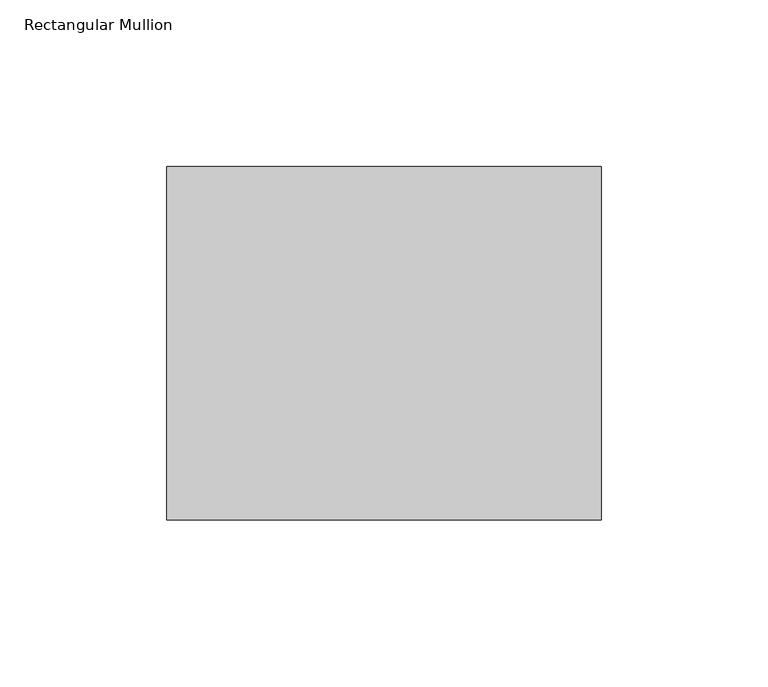
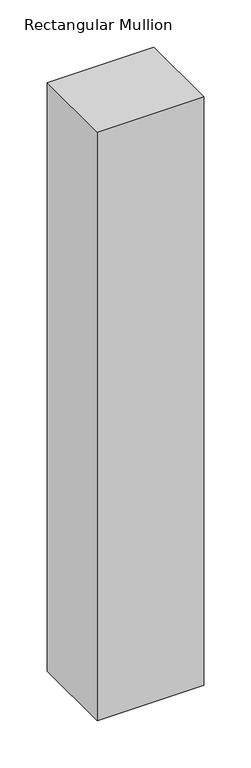
"""IFC4 building model written with IfcOpenShell, lengths in millimetres: member geometry, Rectangular Mullion."""

from ifc_helpers import new_model, si_unit, frame, origin, place, context, project, spatial, polyline, outline, extrude, source, transform, mapped, element, save


def rectangular_mullion_c245b6b8(model_context):
    return source(origin(), model_context, "Body", "SweptSolid", [
        extrude(outline(polyline([(-130.0, 52.8779994), (0.0, 52.8779994), (0.0, -52.8779994), (-130.0, -52.8779994), (-130.0, 52.8779994)])), frame((0.0, 0.0, -760.0), z_axis=(0.0, 0.0, 1.0), x_axis=(1.0, 0.0, 0.0)), (0.0, 0.0, 1.0), 760.0),
    ])


if __name__ == "__main__":
    model = new_model("IFC4")
    model_context = context("Model", 3, world=origin())
    ifc_project = project(units=[si_unit("LENGTHUNIT", "METRE", prefix="MILLI")], contexts=[model_context])
    site = spatial("IfcSite", under=ifc_project)
    building = spatial("IfcBuilding", under=site)
    placement = place(None, origin())
    rectangular_mullion_shape = rectangular_mullion_c245b6b8(model_context)
    element("IfcMember", 1, ObjectType="Rectangular Mullion", at=placement, inside=building, context=model_context, shape_type="MappedRepresentation", body=[
        mapped(rectangular_mullion_shape, transform((0.0, 0.0, 0.0), x_axis=(1.0, 0.0, 0.0), y_axis=(0.0, 1.0, 0.0), z_axis=(0.0, 0.0, 1.0))),
    ])
    save(model, "model.ifc")
